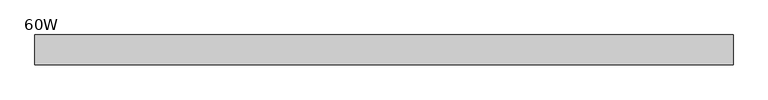
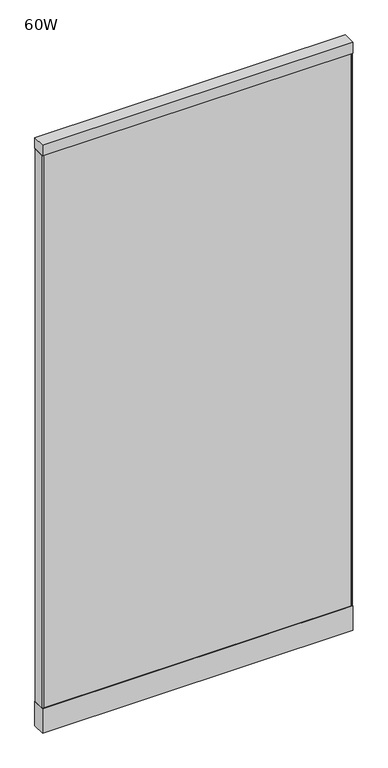
"""IFC4 building model written with IfcOpenShell, lengths in millimetres: plate geometry, 60W."""

from ifc_helpers import new_model, si_unit, frame, origin, origin_with_axes, place, context, project, spatial, polyline, outline, extrude, source, transform, mapped, element, save


def plate_60w_2818c8ef(model_context):
    return source(origin(), model_context, "Body", "SweptSolid", [
        extrude(outline(polyline([(762.0, -32.4103999), (-762.0, -32.4103999), (-762.0, 32.4104002), (762.0, 32.4104002), (762.0, -32.4103999)])), frame((0.0, 0.0, 2993.39), z_axis=(0.0, 0.0, 1.0), x_axis=(1.0, 0.0, 0.0)), (0.0, 0.0, 1.0), 54.61),
        extrude(outline(polyline([(754.888, 0.0), (-754.888, 0.0), (-754.888, 30.3783976), (754.888, 30.3783976), (754.888, 0.0)])), frame((0.0, 0.0, 127.0000061), z_axis=(0.0, 0.0, 1.0), x_axis=(1.0, 0.0, 0.0)), (0.0, 0.0, 1.0), 2866.3899939),
        extrude(outline(polyline([(762.0, -30.3783976), (754.888, -30.3783976), (754.888, 30.3783976), (762.0, 30.3783976), (762.0, -30.3783976)])), frame((0.0, 0.0, 127.0000061), z_axis=(0.0, 0.0, 1.0), x_axis=(1.0, 0.0, 0.0)), (0.0, 0.0, 1.0), 2866.3899939),
        extrude(outline(polyline([(-754.888, -30.3783976), (-762.0, -30.3783976), (-762.0, 30.3783976), (-754.888, 30.3783976), (-754.888, -30.3783976)])), frame((0.0, 0.0, 127.0000061), z_axis=(0.0, 0.0, 1.0), x_axis=(1.0, 0.0, 0.0)), (0.0, 0.0, 1.0), 2866.3899939),
        extrude(outline(polyline([(754.888, -30.3783976), (-754.888, -30.3783976), (-754.888, 0.0), (754.888, 0.0), (754.888, -30.3783976)])), frame((0.0, 0.0, 127.0000061), z_axis=(0.0, 0.0, 1.0), x_axis=(1.0, 0.0, 0.0)), (0.0, 0.0, 1.0), 2866.3899939),
        extrude(outline(polyline([(762.0, -32.4103999), (-762.0, -32.4103999), (-762.0, 32.4104002), (762.0, 32.4104002), (762.0, -32.4103999)])), origin_with_axes(), (0.0, 0.0, 1.0), 127.0000061),
    ])


if __name__ == "__main__":
    model = new_model("IFC4")
    model_context = context("Model", 3, world=origin())
    ifc_project = project(units=[si_unit("LENGTHUNIT", "METRE", prefix="MILLI")], contexts=[model_context])
    site = spatial("IfcSite", under=ifc_project)
    building = spatial("IfcBuilding", under=site)
    placement = place(None, origin())
    plate_60w_shape = plate_60w_2818c8ef(model_context)
    element("IfcPlate", 1, ObjectType="60W", at=placement, inside=building, context=model_context, shape_type="MappedRepresentation", body=[
        mapped(plate_60w_shape, transform((0.0, 0.0, 0.0), x_axis=(1.0, 0.0, 0.0), y_axis=(0.0, 1.0, 0.0), z_axis=(0.0, 0.0, 1.0))),
    ])
    save(model, "model.ifc")
